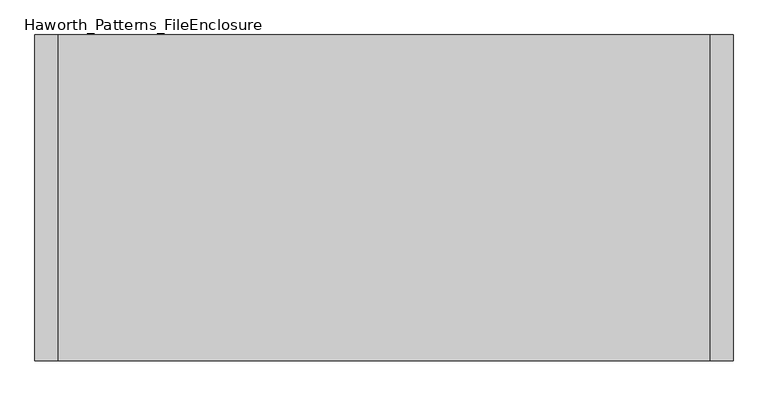
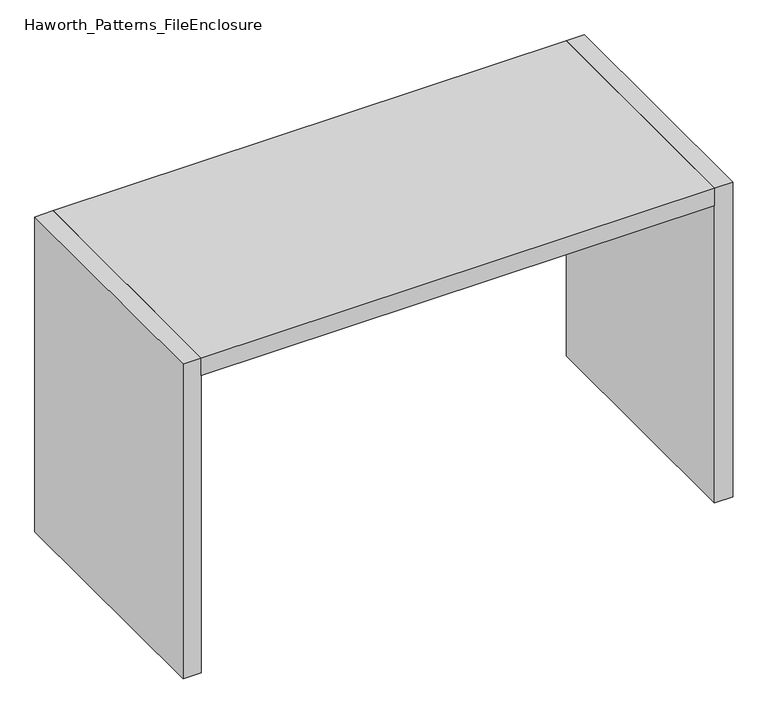
"""IFC4 building model written with IfcOpenShell, lengths in millimetres: furniture geometry, Haworth_Patterns_FileEnclosure."""

from ifc_helpers import new_model, si_unit, frame, origin, origin_with_axes, place, context, project, spatial, polyline, outline, extrude, source, transform, mapped, element, save


def haworth_patterns_fileenclosure_9549d50d(model_context):
    return source(origin(), model_context, "Body", "SweptSolid", [
        extrude(outline(polyline([(1066.8, 0.0), (1066.8, -1066.8), (-1066.8, -1066.8), (-1066.8, 0.0), (1066.8, 0.0)])), frame((0.0, 0.0, 1308.1), z_axis=(0.0, 0.0, 1.0), x_axis=(1.0, 0.0, 0.0)), (0.0, 0.0, 1.0), 76.2),
        extrude(outline(polyline([(1066.8, 0.0), (1143.0, 0.0), (1143.0, -1066.8), (1066.8, -1066.8), (1066.8, 0.0)])), origin_with_axes(), (0.0, 0.0, 1.0), 1384.3),
        extrude(outline(polyline([(-1066.8, 0.0), (-1066.8, -1066.8), (-1143.0, -1066.8), (-1143.0, 0.0), (-1066.8, 0.0)])), origin_with_axes(), (0.0, 0.0, 1.0), 1384.3),
    ])


if __name__ == "__main__":
    model = new_model("IFC4")
    model_context = context("Model", 3, world=origin())
    ifc_project = project(units=[si_unit("LENGTHUNIT", "METRE", prefix="MILLI")], contexts=[model_context])
    site = spatial("IfcSite", under=ifc_project)
    building = spatial("IfcBuilding", under=site)
    placement = place(None, origin())
    haworth_patterns_fileenclosure_shape = haworth_patterns_fileenclosure_9549d50d(model_context)
    element("IfcFurniture", 1, ObjectType="Haworth_Patterns_FileEnclosure", at=placement, inside=building, context=model_context, shape_type="MappedRepresentation", body=[
        mapped(haworth_patterns_fileenclosure_shape, transform((0.0, 0.0, 0.0), x_axis=(1.0, 0.0, 0.0), y_axis=(0.0, 1.0, 0.0), z_axis=(0.0, 0.0, 1.0))),
    ])
    save(model, "model.ifc")
